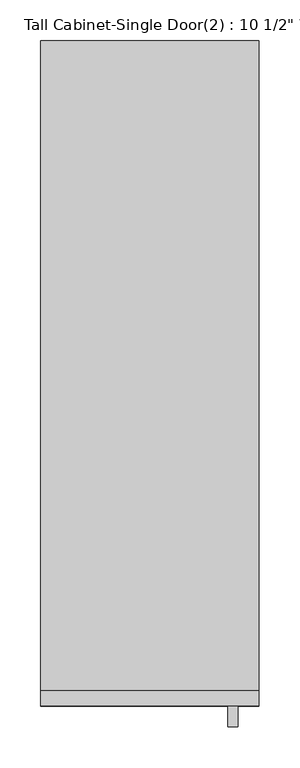
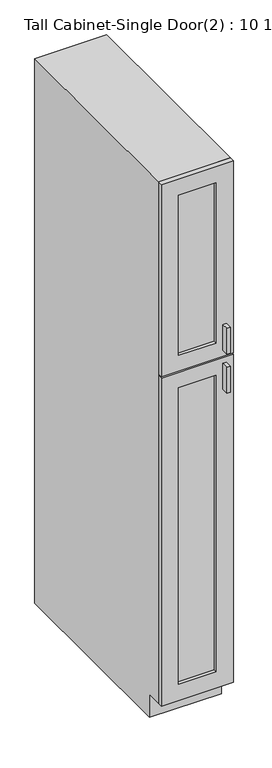
"""IFC4 building model written with IfcOpenShell, lengths in millimetres: furniture geometry."""

from ifc_helpers import new_model, si_unit, frame, origin, place, context, project, spatial, polyline, outline, extrude, faceted_brep, source, transform, mapped, element, save


def furniture_03f7934a(model_context):
    return source(origin(), model_context, "Body", "SolidModel", [
        faceted_brep([(152.0877049, -793.75, 90.4875), (152.0877049, -793.75, 2133.6), (-114.6122951, -793.75, 2133.6), (-114.6122951, -793.75, 90.4875), (133.0377049, -793.75, 2114.55), (133.0377049, -793.75, 109.5375), (-95.5622951, -793.75, 109.5375), (-95.5622951, -793.75, 2114.55), (-114.6122951, 0.0, 2133.6), (152.0877049, 0.0, 2133.6), (152.0877049, 0.0, 0.0), (-114.6122951, 0.0, 0.0), (152.0877049, -736.6, 90.4875), (152.0877049, -736.6, 0.0), (-114.6122951, -736.6, 0.0), (-114.6122951, -736.6, 90.4875), (133.0377049, -19.05, 2114.55), (133.0377049, -19.05, 109.5375), (-95.5622951, -19.05, 109.5375), (-95.5622951, -19.05, 2114.55)], [[[0, 1, 2, 3], [4, 5, 6, 7]], [[8, 9, 10, 11]], [[1, 0, 12, 13, 10, 9]], [[2, 1, 9, 8]], [[3, 2, 8, 11, 14, 15]], [[0, 3, 15, 12]], [[5, 4, 16, 17]], [[6, 5, 17, 18]], [[7, 6, 18, 19]], [[4, 7, 19, 16]], [[10, 13, 14, 11]], [[14, 13, 12, 15]], [[17, 16, 19, 18]]]),
        extrude(outline(polyline([(126.6877049, -838.2), (114.1554733, -838.2), (114.1554733, -812.8), (126.6877049, -812.8), (126.6877049, -838.2)])), frame((0.0, 0.0, 1403.5480367), z_axis=(0.0, 0.0, 1.0), x_axis=(1.0, 0.0, 0.0)), (0.0, 0.0, 1.0), 101.6),
        extrude(outline(polyline([(126.6877049, -838.2), (114.1554733, -838.2), (114.1554733, -812.8), (126.6877049, -812.8), (126.6877049, -838.2)])), frame((0.0, 0.0, 1251.1480367), z_axis=(0.0, 0.0, 1.0), x_axis=(1.0, 0.0, 0.0)), (0.0, 0.0, 1.0), 101.6),
        extrude(outline(polyline([(88.5877049, -800.1), (-51.1122951, -800.1), (-51.1122951, -793.75), (88.5877049, -793.75), (88.5877049, -800.1)])), frame((0.0, 0.0, 1441.6480367), z_axis=(0.0, 0.0, 1.0), x_axis=(1.0, 0.0, 0.0)), (0.0, 0.0, 1.0), 628.4519633),
        extrude(outline(polyline([(88.5877049, -800.1), (-51.1122951, -800.1), (-51.1122951, -793.75), (88.5877049, -793.75), (88.5877049, -800.1)])), frame((0.0, 0.0, 153.9875), z_axis=(0.0, 0.0, 1.0), x_axis=(1.0, 0.0, 0.0)), (0.0, 0.0, 1.0), 1160.6605367),
        extrude(outline(polyline([(2133.6, 152.0877049), (2133.6, -114.6122951), (1381.3230367, -114.6122951), (1381.3230367, 152.0877049), (2133.6, 152.0877049)]), holes=[polyline([(2070.1, 88.5877049), (1441.6480367, 88.5877049), (1441.6480367, -51.1122951), (2070.1, -51.1122951), (2070.1, 88.5877049)])]), frame((0.0, -812.8, 0.0), z_axis=(0.0, 1.0, 0.0), x_axis=(0.0, 0.0, 1.0)), (0.0, 0.0, 1.0), 19.05),
        extrude(outline(polyline([(90.4875, 152.0877049), (1374.9730367, 152.0877049), (1374.9730367, -114.6122951), (90.4875, -114.6122951), (90.4875, 152.0877049)]), holes=[polyline([(1314.6480367, 88.5877049), (153.9875, 88.5877049), (153.9875, -51.1122951), (1314.6480367, -51.1122951), (1314.6480367, 88.5877049)])]), frame((0.0, -812.8, 0.0), z_axis=(0.0, 1.0, 0.0), x_axis=(0.0, 0.0, 1.0)), (0.0, 0.0, 1.0), 19.05),
    ])


if __name__ == "__main__":
    model = new_model("IFC4")
    model_context = context("Model", 3, world=origin())
    ifc_project = project(units=[si_unit("LENGTHUNIT", "METRE", prefix="MILLI")], contexts=[model_context])
    site = spatial("IfcSite", under=ifc_project)
    building = spatial("IfcBuilding", under=site)
    placement = place(None, origin())
    furniture_shape = furniture_03f7934a(model_context)
    element("IfcFurniture", 1, ObjectType="Tall Cabinet-Single Door(2) : 10 1/2\" WIDE", at=placement, inside=building, context=model_context, shape_type="MappedRepresentation", body=[
        mapped(furniture_shape, transform((0.0, 0.0, 0.0), x_axis=(1.0, 0.0, 0.0), y_axis=(0.0, 1.0, 0.0), z_axis=(0.0, 0.0, 1.0))),
    ])
    save(model, "model.ifc")
